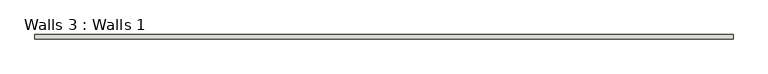
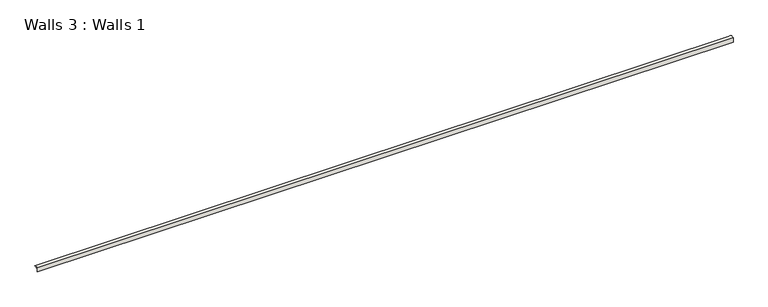
"""IFC4 building model written with IfcOpenShell, lengths in millimetres: wall geometry, Walls 3 : Walls 1."""

import ifcopenshell
import ifcopenshell.guid

model = None  # the IFC model being written
_history = None  # IfcOwnerHistory: only IFC2X3 demands one
_inside = {}  # id of a spatial element -> (the spatial element, [elements in it])
_under = {}  # id of a project, library or spatial element -> (it, [spatial elements below it])
_declared = {}  # id of a project -> (the project, [libraries it declares])
_typed = {}  # id of a type object -> (the type object, [elements of that type])
_made_of = {}  # id of a material, layer set ... -> (it, [elements and type objects made of it])


def new_model(schema):
    """Start an empty IFC model of exactly this schema.

    Asked for "IFC4X3", IfcOpenShell would pick the latest addendum, in which some entities
    have other attributes; the version numbers below select the first issue.
    IFC2X3 requires an IfcOwnerHistory on every rooted entity: one is made here for all.
    """
    global model, _history
    if schema == "IFC4X3":
        model = ifcopenshell.file(schema_version=(4, 3, 0, 0))
    else:
        model = ifcopenshell.file(schema=schema)
    _inside.clear()
    _under.clear()
    _declared.clear()
    _typed.clear()
    _made_of.clear()
    _history = None
    if model.schema == "IFC2X3":
        org = make("IfcOrganization", Name="unknown")
        user = make(
            "IfcPersonAndOrganization",
            ThePerson=make("IfcPerson", FamilyName="unknown"),
            TheOrganization=org,
        )
        app = make(
            "IfcApplication",
            ApplicationDeveloper=org,
            Version="unknown",
            ApplicationFullName="unknown",
            ApplicationIdentifier="unknown",
        )
        _history = make(
            "IfcOwnerHistory",
            OwningUser=user,
            OwningApplication=app,
            ChangeAction="ADDED",
            CreationDate=0,
        )
    return model


def make(cls, **values):
    """One entity of the class cls with the attributes given. An attribute that is None is left unset."""
    return model.create_entity(
        cls, **{name: value for name, value in values.items() if value is not None}
    )


def rooted(cls, **values):
    """An entity with a GlobalId (a new one), such as an element, a storey or a relation."""
    return make(cls, GlobalId=ifcopenshell.guid.new(), OwnerHistory=_history, **values)


def si_unit(unit_type, name, prefix=None):
    """IfcSIUnit, for example si_unit("LENGTHUNIT", "METRE", prefix="MILLI")."""
    return make("IfcSIUnit", UnitType=unit_type, Prefix=prefix, Name=name)


def assignment(units):
    """IfcUnitAssignment: the units of a project."""
    return None if units is None else make("IfcUnitAssignment", Units=units)


def point(xyz):
    """IfcCartesianPoint."""
    return None if xyz is None else make("IfcCartesianPoint", Coordinates=xyz)


def direction(xyz):
    """IfcDirection."""
    return None if xyz is None else make("IfcDirection", DirectionRatios=xyz)


def frame(location, z_axis=None, x_axis=None):
    """IfcAxis2Placement3D, a coordinate frame: its origin and axes. An axis left out is left unset."""
    return make(
        "IfcAxis2Placement3D",
        Location=point(location),
        Axis=direction(z_axis),
        RefDirection=direction(x_axis),
    )


def frame_2d(location, x_axis=None):
    """IfcAxis2Placement2D, a coordinate frame in the plane: its origin and x axis."""
    return make(
        "IfcAxis2Placement2D", Location=point(location), RefDirection=direction(x_axis)
    )


def origin():
    """The frame at (0, 0, 0) with its axes left unset."""
    return frame((0.0, 0.0, 0.0))


def place(relative_to, where):
    """IfcLocalPlacement: puts the frame where relative to a parent placement (None: the world)."""
    return make(
        "IfcLocalPlacement", PlacementRelTo=relative_to, RelativePlacement=where
    )


def context(
    kind, dimensions, precision=None, world=None, true_north=None, identifier=None
):
    """IfcGeometricRepresentationContext, for example the 3D "Model" context."""
    return make(
        "IfcGeometricRepresentationContext",
        ContextIdentifier=identifier,
        ContextType=kind,
        CoordinateSpaceDimension=dimensions,
        Precision=precision,
        WorldCoordinateSystem=world,
        TrueNorth=true_north,
    )


def project(units=None, contexts=None):
    """IfcProject with its units and contexts."""
    return rooted(
        "IfcProject",
        Name="project",
        RepresentationContexts=contexts,
        UnitsInContext=assignment(units),
    )


def spatial(cls, under=None, at=None, **own):
    """A site, building, storey or space (cls), placed at a placement, below another one or the project."""
    s = rooted(cls, ObjectPlacement=at, **own)
    if under is not None:
        _under.setdefault(under.id(), (under, []))[1].append(s)
    return s


def polyline(points):
    """IfcPolyline through the points."""
    return make("IfcPolyline", Points=[point(p) for p in points])


def circle_curve(where, radius):
    """IfcCircle in the frame where."""
    return make("IfcCircle", Position=where, Radius=radius)


def trimmed(basis, trim1, trim2, sense, master):
    """IfcTrimmedCurve: the piece of a basis curve between two trims."""
    return make(
        "IfcTrimmedCurve",
        BasisCurve=basis,
        Trim1=trim1,
        Trim2=trim2,
        SenseAgreement=sense,
        MasterRepresentation=master,
    )


def segment(curve, same_sense, transition):
    """IfcCompositeCurveSegment."""
    return make(
        "IfcCompositeCurveSegment",
        Transition=transition,
        SameSense=same_sense,
        ParentCurve=curve,
    )


def composite_curve(segments, self_intersect=None):
    """IfcCompositeCurve: segments joined end to end."""
    return make("IfcCompositeCurve", Segments=segments, SelfIntersect=self_intersect)


def outline(outer, holes=None, kind="AREA"):
    """IfcArbitraryClosedProfileDef: a profile drawn as a closed curve; with holes, ...WithVoids."""
    if holes is None:
        return make("IfcArbitraryClosedProfileDef", ProfileType=kind, OuterCurve=outer)
    return make(
        "IfcArbitraryProfileDefWithVoids",
        ProfileType=kind,
        OuterCurve=outer,
        InnerCurves=holes,
    )


def extrude(swept, where, along, depth):
    """IfcExtrudedAreaSolid: the profile swept, set in the frame where, extruded along a direction by depth."""
    return make(
        "IfcExtrudedAreaSolid",
        SweptArea=swept,
        Position=where,
        ExtrudedDirection=direction(along),
        Depth=depth,
    )


def shape(context_of_items, identifier, shape_type, items):
    """IfcShapeRepresentation: the items that make up one representation, for example the "Body"."""
    return make(
        "IfcShapeRepresentation",
        ContextOfItems=context_of_items,
        RepresentationIdentifier=identifier,
        RepresentationType=shape_type,
        Items=items,
    )


def source(mapping_origin, context_of_items, identifier, shape_type, items):
    """IfcRepresentationMap: a shape defined once, which mapped items show again and again."""
    return make(
        "IfcRepresentationMap",
        MappingOrigin=mapping_origin,
        MappedRepresentation=shape(context_of_items, identifier, shape_type, items),
    )


def transform(
    local_origin,
    x_axis=None,
    y_axis=None,
    z_axis=None,
    scale=None,
    scale2=None,
    scale3=None,
    uniform=True,
):
    """IfcCartesianTransformationOperator3D, or its non-uniform kind. x_axis, y_axis, z_axis: its Axis1, 2, 3."""
    if uniform:
        return make(
            "IfcCartesianTransformationOperator3D",
            Axis1=direction(x_axis),
            Axis2=direction(y_axis),
            LocalOrigin=point(local_origin),
            Scale=scale,
            Axis3=direction(z_axis),
        )
    return make(
        "IfcCartesianTransformationOperator3DnonUniform",
        Axis1=direction(x_axis),
        Axis2=direction(y_axis),
        LocalOrigin=point(local_origin),
        Scale=scale,
        Axis3=direction(z_axis),
        Scale2=scale2,
        Scale3=scale3,
    )


def mapped(mapping_source, mapping_target):
    """IfcMappedItem: shows the shape of a source again, moved by a transform."""
    return make(
        "IfcMappedItem", MappingSource=mapping_source, MappingTarget=mapping_target
    )


def made_of(thing, what):
    """Note that an element or type object is made of a material, layer set ...; save() writes the relation."""
    if what is not None:
        _made_of.setdefault(what.id(), (what, []))[1].append(thing)
    return thing


def element(
    cls,
    number,
    at=None,
    inside=None,
    cuts=None,
    type_object=None,
    material=None,
    context=None,
    identifier="Body",
    shape_type=None,
    held_by="IfcProductDefinitionShape",
    body=None,
    shapes=None,
    **own,
):
    """One element of the class cls, such as IfcWall. Its Tag is "e" and its number.

    at: its placement. inside: the storey or other place that contains it. cuts: it is an
    opening in that element (IfcRelVoidsElement). A single representation is given by context,
    identifier, shape_type and body (its items); several are given by shapes. held_by: the class
    of the entity that holds the representations. save() writes the other relations.
    """
    e = rooted(cls, Tag="e%d" % number, ObjectPlacement=at, **own)
    if body is not None:
        shapes = [shape(context, identifier, shape_type, body)]
    if shapes is not None:
        e.Representation = make(held_by, Representations=shapes)
    if inside is not None:
        _inside.setdefault(inside.id(), (inside, []))[1].append(e)
    if cuts is not None:
        rooted(
            "IfcRelVoidsElement", RelatingBuildingElement=cuts, RelatedOpeningElement=e
        )
    if type_object is not None:
        _typed.setdefault(type_object.id(), (type_object, []))[1].append(e)
    return made_of(e, material)


def aggregate(whole, parts):
    """IfcRelAggregates: a whole, such as a stair, and the parts it consists of."""
    return rooted("IfcRelAggregates", RelatingObject=whole, RelatedObjects=parts)


def save(model, path):
    """Write the relations noted so far, then the file.

    IfcRelAggregates (storeys below a building ...), IfcRelContainedInSpatialStructure (elements
    in a storey), IfcRelDefinesByType, IfcRelAssociatesMaterial and IfcRelDeclares: one each for
    every whole, place, type object, material and project.
    """
    for whole, parts in _under.values():
        aggregate(whole, parts)
    for where, things in _inside.values():
        rooted(
            "IfcRelContainedInSpatialStructure",
            RelatedElements=things,
            RelatingStructure=where,
        )
    for kind, things in _typed.values():
        rooted("IfcRelDefinesByType", RelatedObjects=things, RelatingType=kind)
    for what, things in _made_of.values():
        rooted("IfcRelAssociatesMaterial", RelatedObjects=things, RelatingMaterial=what)
    for by, libraries in _declared.values():
        rooted("IfcRelDeclares", RelatingContext=by, RelatedDefinitions=libraries)
    model.write(path)


def walls_3_walls_1_692e33be(model_context):
    return source(origin(), model_context, "Body", "SweptSolid", [
        extrude(outline(composite_curve([segment(polyline([(2054.3862244, 3.1732159), (2054.3862244, 0.0), (2048.0362244, 0.0), (2048.0362244, -9.8564932), (2046.4933439, -9.8564932), (2046.4933439, 4.8468939)]), True, "CONTINUOUS"), segment(trimmed(circle_curve(frame_2d((2052.4637707, -5.7849882)), 12.1935603), [point((2046.4933439, 4.8468939))], [point((2060.7362244, 3.1732159))], False, "CARTESIAN"), True, "CONTINUOUS"), segment(polyline([(2060.7362244, 3.1732159), (2054.3862244, 3.1732159)]), True, "CONTINUOUS")], self_intersect=False)), frame((75.4987811, 0.0, 0.0), z_axis=(1.0, 0.0, 0.0), x_axis=(0.0, 1.0, 0.0)), (0.0, 0.0, 1.0), 2286.0),
    ])


if __name__ == "__main__":
    model = new_model("IFC4")
    model_context = context("Model", 3, world=origin())
    ifc_project = project(units=[si_unit("LENGTHUNIT", "METRE", prefix="MILLI")], contexts=[model_context])
    site = spatial("IfcSite", under=ifc_project)
    building = spatial("IfcBuilding", under=site)
    placement = place(None, origin())
    walls_3_walls_1_shape = walls_3_walls_1_692e33be(model_context)
    element("IfcWall", 1, ObjectType="Walls 3 : Walls 1", at=placement, inside=building, context=model_context, shape_type="MappedRepresentation", body=[
        mapped(walls_3_walls_1_shape, transform((0.0, 0.0, 0.0), x_axis=(1.0, 0.0, 0.0), y_axis=(0.0, 1.0, 0.0), z_axis=(0.0, 0.0, 1.0))),
    ])
    save(model, "model.ifc")
